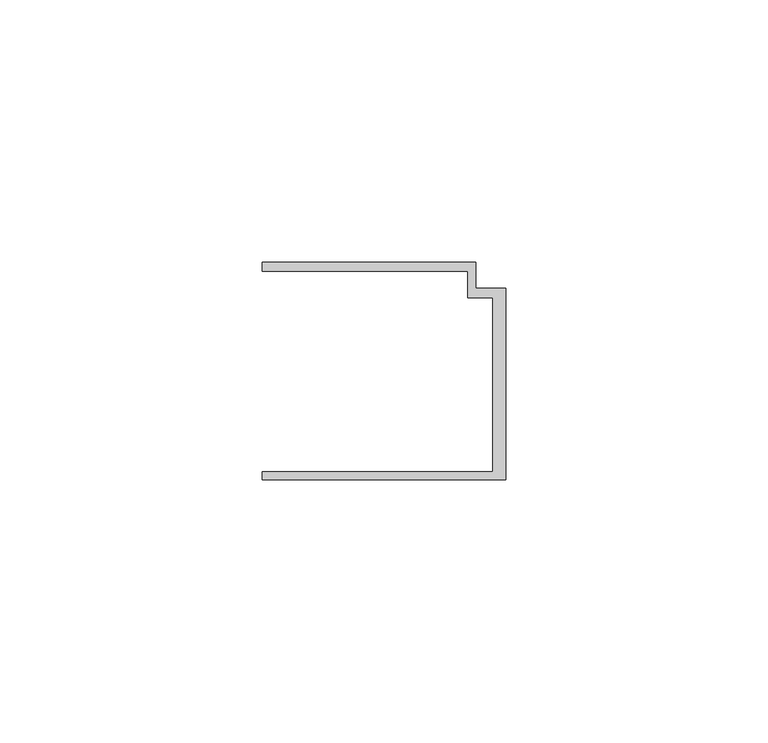
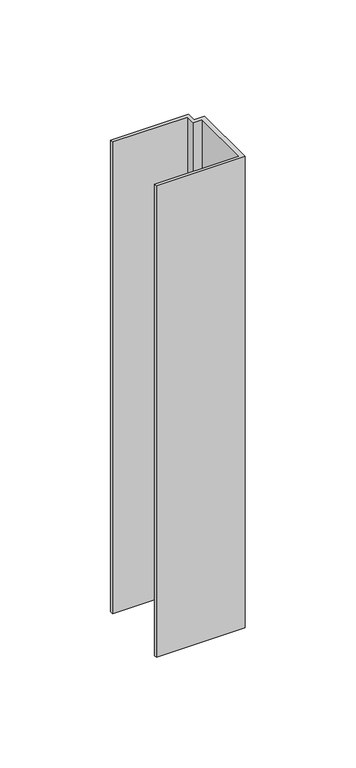
"""IFC4 building model written with IfcOpenShell, lengths in millimetres: member geometry."""

import ifcopenshell
import ifcopenshell.guid

model = None  # the IFC model being written
_history = None  # IfcOwnerHistory: only IFC2X3 demands one
_inside = {}  # id of a spatial element -> (the spatial element, [elements in it])
_under = {}  # id of a project, library or spatial element -> (it, [spatial elements below it])
_declared = {}  # id of a project -> (the project, [libraries it declares])
_typed = {}  # id of a type object -> (the type object, [elements of that type])
_made_of = {}  # id of a material, layer set ... -> (it, [elements and type objects made of it])


def new_model(schema):
    """Start an empty IFC model of exactly this schema.

    Asked for "IFC4X3", IfcOpenShell would pick the latest addendum, in which some entities
    have other attributes; the version numbers below select the first issue.
    IFC2X3 requires an IfcOwnerHistory on every rooted entity: one is made here for all.
    """
    global model, _history
    if schema == "IFC4X3":
        model = ifcopenshell.file(schema_version=(4, 3, 0, 0))
    else:
        model = ifcopenshell.file(schema=schema)
    _inside.clear()
    _under.clear()
    _declared.clear()
    _typed.clear()
    _made_of.clear()
    _history = None
    if model.schema == "IFC2X3":
        org = make("IfcOrganization", Name="unknown")
        user = make(
            "IfcPersonAndOrganization",
            ThePerson=make("IfcPerson", FamilyName="unknown"),
            TheOrganization=org,
        )
        app = make(
            "IfcApplication",
            ApplicationDeveloper=org,
            Version="unknown",
            ApplicationFullName="unknown",
            ApplicationIdentifier="unknown",
        )
        _history = make(
            "IfcOwnerHistory",
            OwningUser=user,
            OwningApplication=app,
            ChangeAction="ADDED",
            CreationDate=0,
        )
    return model


def make(cls, **values):
    """One entity of the class cls with the attributes given. An attribute that is None is left unset."""
    return model.create_entity(
        cls, **{name: value for name, value in values.items() if value is not None}
    )


def rooted(cls, **values):
    """An entity with a GlobalId (a new one), such as an element, a storey or a relation."""
    return make(cls, GlobalId=ifcopenshell.guid.new(), OwnerHistory=_history, **values)


def si_unit(unit_type, name, prefix=None):
    """IfcSIUnit, for example si_unit("LENGTHUNIT", "METRE", prefix="MILLI")."""
    return make("IfcSIUnit", UnitType=unit_type, Prefix=prefix, Name=name)


def assignment(units):
    """IfcUnitAssignment: the units of a project."""
    return None if units is None else make("IfcUnitAssignment", Units=units)


def point(xyz):
    """IfcCartesianPoint."""
    return None if xyz is None else make("IfcCartesianPoint", Coordinates=xyz)


def direction(xyz):
    """IfcDirection."""
    return None if xyz is None else make("IfcDirection", DirectionRatios=xyz)


def frame(location, z_axis=None, x_axis=None):
    """IfcAxis2Placement3D, a coordinate frame: its origin and axes. An axis left out is left unset."""
    return make(
        "IfcAxis2Placement3D",
        Location=point(location),
        Axis=direction(z_axis),
        RefDirection=direction(x_axis),
    )


def origin():
    """The frame at (0, 0, 0) with its axes left unset."""
    return frame((0.0, 0.0, 0.0))


def place(relative_to, where):
    """IfcLocalPlacement: puts the frame where relative to a parent placement (None: the world)."""
    return make(
        "IfcLocalPlacement", PlacementRelTo=relative_to, RelativePlacement=where
    )


def context(
    kind, dimensions, precision=None, world=None, true_north=None, identifier=None
):
    """IfcGeometricRepresentationContext, for example the 3D "Model" context."""
    return make(
        "IfcGeometricRepresentationContext",
        ContextIdentifier=identifier,
        ContextType=kind,
        CoordinateSpaceDimension=dimensions,
        Precision=precision,
        WorldCoordinateSystem=world,
        TrueNorth=true_north,
    )


def project(units=None, contexts=None):
    """IfcProject with its units and contexts."""
    return rooted(
        "IfcProject",
        Name="project",
        RepresentationContexts=contexts,
        UnitsInContext=assignment(units),
    )


def spatial(cls, under=None, at=None, **own):
    """A site, building, storey or space (cls), placed at a placement, below another one or the project."""
    s = rooted(cls, ObjectPlacement=at, **own)
    if under is not None:
        _under.setdefault(under.id(), (under, []))[1].append(s)
    return s


def polyline(points):
    """IfcPolyline through the points."""
    return make("IfcPolyline", Points=[point(p) for p in points])


def outline(outer, holes=None, kind="AREA"):
    """IfcArbitraryClosedProfileDef: a profile drawn as a closed curve; with holes, ...WithVoids."""
    if holes is None:
        return make("IfcArbitraryClosedProfileDef", ProfileType=kind, OuterCurve=outer)
    return make(
        "IfcArbitraryProfileDefWithVoids",
        ProfileType=kind,
        OuterCurve=outer,
        InnerCurves=holes,
    )


def extrude(swept, where, along, depth):
    """IfcExtrudedAreaSolid: the profile swept, set in the frame where, extruded along a direction by depth."""
    return make(
        "IfcExtrudedAreaSolid",
        SweptArea=swept,
        Position=where,
        ExtrudedDirection=direction(along),
        Depth=depth,
    )


def shape(context_of_items, identifier, shape_type, items):
    """IfcShapeRepresentation: the items that make up one representation, for example the "Body"."""
    return make(
        "IfcShapeRepresentation",
        ContextOfItems=context_of_items,
        RepresentationIdentifier=identifier,
        RepresentationType=shape_type,
        Items=items,
    )


def source(mapping_origin, context_of_items, identifier, shape_type, items):
    """IfcRepresentationMap: a shape defined once, which mapped items show again and again."""
    return make(
        "IfcRepresentationMap",
        MappingOrigin=mapping_origin,
        MappedRepresentation=shape(context_of_items, identifier, shape_type, items),
    )


def transform(
    local_origin,
    x_axis=None,
    y_axis=None,
    z_axis=None,
    scale=None,
    scale2=None,
    scale3=None,
    uniform=True,
):
    """IfcCartesianTransformationOperator3D, or its non-uniform kind. x_axis, y_axis, z_axis: its Axis1, 2, 3."""
    if uniform:
        return make(
            "IfcCartesianTransformationOperator3D",
            Axis1=direction(x_axis),
            Axis2=direction(y_axis),
            LocalOrigin=point(local_origin),
            Scale=scale,
            Axis3=direction(z_axis),
        )
    return make(
        "IfcCartesianTransformationOperator3DnonUniform",
        Axis1=direction(x_axis),
        Axis2=direction(y_axis),
        LocalOrigin=point(local_origin),
        Scale=scale,
        Axis3=direction(z_axis),
        Scale2=scale2,
        Scale3=scale3,
    )


def mapped(mapping_source, mapping_target):
    """IfcMappedItem: shows the shape of a source again, moved by a transform."""
    return make(
        "IfcMappedItem", MappingSource=mapping_source, MappingTarget=mapping_target
    )


def made_of(thing, what):
    """Note that an element or type object is made of a material, layer set ...; save() writes the relation."""
    if what is not None:
        _made_of.setdefault(what.id(), (what, []))[1].append(thing)
    return thing


def element(
    cls,
    number,
    at=None,
    inside=None,
    cuts=None,
    type_object=None,
    material=None,
    context=None,
    identifier="Body",
    shape_type=None,
    held_by="IfcProductDefinitionShape",
    body=None,
    shapes=None,
    **own,
):
    """One element of the class cls, such as IfcWall. Its Tag is "e" and its number.

    at: its placement. inside: the storey or other place that contains it. cuts: it is an
    opening in that element (IfcRelVoidsElement). A single representation is given by context,
    identifier, shape_type and body (its items); several are given by shapes. held_by: the class
    of the entity that holds the representations. save() writes the other relations.
    """
    e = rooted(cls, Tag="e%d" % number, ObjectPlacement=at, **own)
    if body is not None:
        shapes = [shape(context, identifier, shape_type, body)]
    if shapes is not None:
        e.Representation = make(held_by, Representations=shapes)
    if inside is not None:
        _inside.setdefault(inside.id(), (inside, []))[1].append(e)
    if cuts is not None:
        rooted(
            "IfcRelVoidsElement", RelatingBuildingElement=cuts, RelatedOpeningElement=e
        )
    if type_object is not None:
        _typed.setdefault(type_object.id(), (type_object, []))[1].append(e)
    return made_of(e, material)


def aggregate(whole, parts):
    """IfcRelAggregates: a whole, such as a stair, and the parts it consists of."""
    return rooted("IfcRelAggregates", RelatingObject=whole, RelatedObjects=parts)


def save(model, path):
    """Write the relations noted so far, then the file.

    IfcRelAggregates (storeys below a building ...), IfcRelContainedInSpatialStructure (elements
    in a storey), IfcRelDefinesByType, IfcRelAssociatesMaterial and IfcRelDeclares: one each for
    every whole, place, type object, material and project.
    """
    for whole, parts in _under.values():
        aggregate(whole, parts)
    for where, things in _inside.values():
        rooted(
            "IfcRelContainedInSpatialStructure",
            RelatedElements=things,
            RelatingStructure=where,
        )
    for kind, things in _typed.values():
        rooted("IfcRelDefinesByType", RelatedObjects=things, RelatingType=kind)
    for what, things in _made_of.values():
        rooted("IfcRelAssociatesMaterial", RelatedObjects=things, RelatingMaterial=what)
    for by, libraries in _declared.values():
        rooted("IfcRelDeclares", RelatingContext=by, RelatedDefinitions=libraries)
    model.write(path)


def member_701b6799(model_context):
    return source(origin(), model_context, "Body", "SweptSolid", [
        extrude(outline(polyline([(-46.3, -19.2), (-2.4, -19.2), (-2.4, 14.0), (-7.2, 14.0), (-7.2, 19.0), (-46.3, 19.0), (-46.3, 20.7), (-5.6999992, 20.7), (-5.6999992, 15.8), (0.0, 15.8), (0.0, -20.7), (-46.3, -20.7), (-46.3, -19.2)])), frame((0.0, 0.0, -260.0), z_axis=(0.0, 0.0, 1.0), x_axis=(1.0, 0.0, 0.0)), (0.0, 0.0, 1.0), 260.0),
    ])


if __name__ == "__main__":
    model = new_model("IFC4")
    model_context = context("Model", 3, world=origin())
    ifc_project = project(units=[si_unit("LENGTHUNIT", "METRE", prefix="MILLI")], contexts=[model_context])
    site = spatial("IfcSite", under=ifc_project)
    building = spatial("IfcBuilding", under=site)
    placement = place(None, origin())
    member_shape = member_701b6799(model_context)
    element("IfcMember", 1, at=placement, inside=building, context=model_context, shape_type="MappedRepresentation", body=[
        mapped(member_shape, transform((0.0, 0.0, 0.0), x_axis=(1.0, 0.0, 0.0), y_axis=(0.0, 1.0, 0.0), z_axis=(0.0, 0.0, 1.0))),
    ])
    save(model, "model.ifc")
